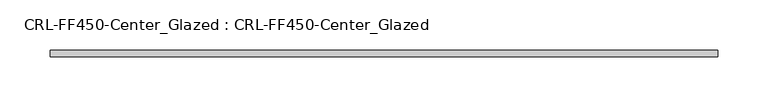
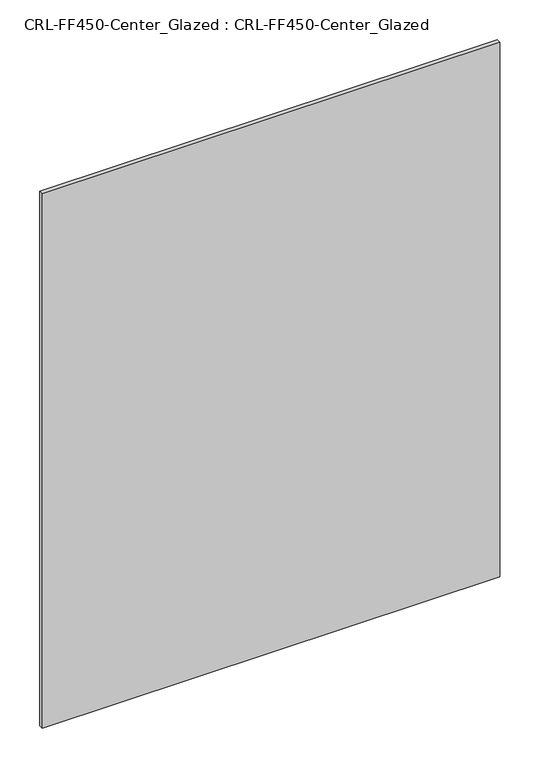
"""IFC4 building model written with IfcOpenShell, lengths in millimetres: plate geometry, CRL-FF450-Center_Glazed : CRL-FF450-Center_Glazed."""

import ifcopenshell
import ifcopenshell.guid

model = None  # the IFC model being written
_history = None  # IfcOwnerHistory: only IFC2X3 demands one
_inside = {}  # id of a spatial element -> (the spatial element, [elements in it])
_under = {}  # id of a project, library or spatial element -> (it, [spatial elements below it])
_declared = {}  # id of a project -> (the project, [libraries it declares])
_typed = {}  # id of a type object -> (the type object, [elements of that type])
_made_of = {}  # id of a material, layer set ... -> (it, [elements and type objects made of it])


def new_model(schema):
    """Start an empty IFC model of exactly this schema.

    Asked for "IFC4X3", IfcOpenShell would pick the latest addendum, in which some entities
    have other attributes; the version numbers below select the first issue.
    IFC2X3 requires an IfcOwnerHistory on every rooted entity: one is made here for all.
    """
    global model, _history
    if schema == "IFC4X3":
        model = ifcopenshell.file(schema_version=(4, 3, 0, 0))
    else:
        model = ifcopenshell.file(schema=schema)
    _inside.clear()
    _under.clear()
    _declared.clear()
    _typed.clear()
    _made_of.clear()
    _history = None
    if model.schema == "IFC2X3":
        org = make("IfcOrganization", Name="unknown")
        user = make(
            "IfcPersonAndOrganization",
            ThePerson=make("IfcPerson", FamilyName="unknown"),
            TheOrganization=org,
        )
        app = make(
            "IfcApplication",
            ApplicationDeveloper=org,
            Version="unknown",
            ApplicationFullName="unknown",
            ApplicationIdentifier="unknown",
        )
        _history = make(
            "IfcOwnerHistory",
            OwningUser=user,
            OwningApplication=app,
            ChangeAction="ADDED",
            CreationDate=0,
        )
    return model


def make(cls, **values):
    """One entity of the class cls with the attributes given. An attribute that is None is left unset."""
    return model.create_entity(
        cls, **{name: value for name, value in values.items() if value is not None}
    )


def rooted(cls, **values):
    """An entity with a GlobalId (a new one), such as an element, a storey or a relation."""
    return make(cls, GlobalId=ifcopenshell.guid.new(), OwnerHistory=_history, **values)


def si_unit(unit_type, name, prefix=None):
    """IfcSIUnit, for example si_unit("LENGTHUNIT", "METRE", prefix="MILLI")."""
    return make("IfcSIUnit", UnitType=unit_type, Prefix=prefix, Name=name)


def assignment(units):
    """IfcUnitAssignment: the units of a project."""
    return None if units is None else make("IfcUnitAssignment", Units=units)


def point(xyz):
    """IfcCartesianPoint."""
    return None if xyz is None else make("IfcCartesianPoint", Coordinates=xyz)


def direction(xyz):
    """IfcDirection."""
    return None if xyz is None else make("IfcDirection", DirectionRatios=xyz)


def frame(location, z_axis=None, x_axis=None):
    """IfcAxis2Placement3D, a coordinate frame: its origin and axes. An axis left out is left unset."""
    return make(
        "IfcAxis2Placement3D",
        Location=point(location),
        Axis=direction(z_axis),
        RefDirection=direction(x_axis),
    )


def origin():
    """The frame at (0, 0, 0) with its axes left unset."""
    return frame((0.0, 0.0, 0.0))


def origin_with_axes():
    """The frame at (0, 0, 0) with the z axis (0, 0, 1) and the x axis (1, 0, 0) written out."""
    return frame((0.0, 0.0, 0.0), z_axis=(0.0, 0.0, 1.0), x_axis=(1.0, 0.0, 0.0))


def place(relative_to, where):
    """IfcLocalPlacement: puts the frame where relative to a parent placement (None: the world)."""
    return make(
        "IfcLocalPlacement", PlacementRelTo=relative_to, RelativePlacement=where
    )


def context(
    kind, dimensions, precision=None, world=None, true_north=None, identifier=None
):
    """IfcGeometricRepresentationContext, for example the 3D "Model" context."""
    return make(
        "IfcGeometricRepresentationContext",
        ContextIdentifier=identifier,
        ContextType=kind,
        CoordinateSpaceDimension=dimensions,
        Precision=precision,
        WorldCoordinateSystem=world,
        TrueNorth=true_north,
    )


def project(units=None, contexts=None):
    """IfcProject with its units and contexts."""
    return rooted(
        "IfcProject",
        Name="project",
        RepresentationContexts=contexts,
        UnitsInContext=assignment(units),
    )


def spatial(cls, under=None, at=None, **own):
    """A site, building, storey or space (cls), placed at a placement, below another one or the project."""
    s = rooted(cls, ObjectPlacement=at, **own)
    if under is not None:
        _under.setdefault(under.id(), (under, []))[1].append(s)
    return s


def polyline(points):
    """IfcPolyline through the points."""
    return make("IfcPolyline", Points=[point(p) for p in points])


def outline(outer, holes=None, kind="AREA"):
    """IfcArbitraryClosedProfileDef: a profile drawn as a closed curve; with holes, ...WithVoids."""
    if holes is None:
        return make("IfcArbitraryClosedProfileDef", ProfileType=kind, OuterCurve=outer)
    return make(
        "IfcArbitraryProfileDefWithVoids",
        ProfileType=kind,
        OuterCurve=outer,
        InnerCurves=holes,
    )


def extrude(swept, where, along, depth):
    """IfcExtrudedAreaSolid: the profile swept, set in the frame where, extruded along a direction by depth."""
    return make(
        "IfcExtrudedAreaSolid",
        SweptArea=swept,
        Position=where,
        ExtrudedDirection=direction(along),
        Depth=depth,
    )


def shape(context_of_items, identifier, shape_type, items):
    """IfcShapeRepresentation: the items that make up one representation, for example the "Body"."""
    return make(
        "IfcShapeRepresentation",
        ContextOfItems=context_of_items,
        RepresentationIdentifier=identifier,
        RepresentationType=shape_type,
        Items=items,
    )


def source(mapping_origin, context_of_items, identifier, shape_type, items):
    """IfcRepresentationMap: a shape defined once, which mapped items show again and again."""
    return make(
        "IfcRepresentationMap",
        MappingOrigin=mapping_origin,
        MappedRepresentation=shape(context_of_items, identifier, shape_type, items),
    )


def transform(
    local_origin,
    x_axis=None,
    y_axis=None,
    z_axis=None,
    scale=None,
    scale2=None,
    scale3=None,
    uniform=True,
):
    """IfcCartesianTransformationOperator3D, or its non-uniform kind. x_axis, y_axis, z_axis: its Axis1, 2, 3."""
    if uniform:
        return make(
            "IfcCartesianTransformationOperator3D",
            Axis1=direction(x_axis),
            Axis2=direction(y_axis),
            LocalOrigin=point(local_origin),
            Scale=scale,
            Axis3=direction(z_axis),
        )
    return make(
        "IfcCartesianTransformationOperator3DnonUniform",
        Axis1=direction(x_axis),
        Axis2=direction(y_axis),
        LocalOrigin=point(local_origin),
        Scale=scale,
        Axis3=direction(z_axis),
        Scale2=scale2,
        Scale3=scale3,
    )


def mapped(mapping_source, mapping_target):
    """IfcMappedItem: shows the shape of a source again, moved by a transform."""
    return make(
        "IfcMappedItem", MappingSource=mapping_source, MappingTarget=mapping_target
    )


def made_of(thing, what):
    """Note that an element or type object is made of a material, layer set ...; save() writes the relation."""
    if what is not None:
        _made_of.setdefault(what.id(), (what, []))[1].append(thing)
    return thing


def element(
    cls,
    number,
    at=None,
    inside=None,
    cuts=None,
    type_object=None,
    material=None,
    context=None,
    identifier="Body",
    shape_type=None,
    held_by="IfcProductDefinitionShape",
    body=None,
    shapes=None,
    **own,
):
    """One element of the class cls, such as IfcWall. Its Tag is "e" and its number.

    at: its placement. inside: the storey or other place that contains it. cuts: it is an
    opening in that element (IfcRelVoidsElement). A single representation is given by context,
    identifier, shape_type and body (its items); several are given by shapes. held_by: the class
    of the entity that holds the representations. save() writes the other relations.
    """
    e = rooted(cls, Tag="e%d" % number, ObjectPlacement=at, **own)
    if body is not None:
        shapes = [shape(context, identifier, shape_type, body)]
    if shapes is not None:
        e.Representation = make(held_by, Representations=shapes)
    if inside is not None:
        _inside.setdefault(inside.id(), (inside, []))[1].append(e)
    if cuts is not None:
        rooted(
            "IfcRelVoidsElement", RelatingBuildingElement=cuts, RelatedOpeningElement=e
        )
    if type_object is not None:
        _typed.setdefault(type_object.id(), (type_object, []))[1].append(e)
    return made_of(e, material)


def aggregate(whole, parts):
    """IfcRelAggregates: a whole, such as a stair, and the parts it consists of."""
    return rooted("IfcRelAggregates", RelatingObject=whole, RelatedObjects=parts)


def save(model, path):
    """Write the relations noted so far, then the file.

    IfcRelAggregates (storeys below a building ...), IfcRelContainedInSpatialStructure (elements
    in a storey), IfcRelDefinesByType, IfcRelAssociatesMaterial and IfcRelDeclares: one each for
    every whole, place, type object, material and project.
    """
    for whole, parts in _under.values():
        aggregate(whole, parts)
    for where, things in _inside.values():
        rooted(
            "IfcRelContainedInSpatialStructure",
            RelatedElements=things,
            RelatingStructure=where,
        )
    for kind, things in _typed.values():
        rooted("IfcRelDefinesByType", RelatedObjects=things, RelatingType=kind)
    for what, things in _made_of.values():
        rooted("IfcRelAssociatesMaterial", RelatedObjects=things, RelatingMaterial=what)
    for by, libraries in _declared.values():
        rooted("IfcRelDeclares", RelatingContext=by, RelatedDefinitions=libraries)
    model.write(path)


def crl_ff450_center_glazed_crl_ff450_center_glazed_431a8304(model_context):
    return source(origin(), model_context, "Body", "SweptSolid", [
        extrude(outline(polyline([(332.5812299, 3.1749999), (332.5812299, -3.1749999), (-332.5812299, -3.1749999), (-332.5812299, 3.1749999), (332.5812299, 3.1749999)])), origin_with_axes(), (0.0, 0.0, 1.0), 821.3089215),
    ])


if __name__ == "__main__":
    model = new_model("IFC4")
    model_context = context("Model", 3, world=origin())
    ifc_project = project(units=[si_unit("LENGTHUNIT", "METRE", prefix="MILLI")], contexts=[model_context])
    site = spatial("IfcSite", under=ifc_project)
    building = spatial("IfcBuilding", under=site)
    placement = place(None, origin())
    crl_ff450_center_glazed_crl_ff450_center_glazed_shape = crl_ff450_center_glazed_crl_ff450_center_glazed_431a8304(model_context)
    element("IfcPlate", 1, ObjectType="CRL-FF450-Center_Glazed : CRL-FF450-Center_Glazed", at=placement, inside=building, context=model_context, shape_type="MappedRepresentation", body=[
        mapped(crl_ff450_center_glazed_crl_ff450_center_glazed_shape, transform((0.0, 0.0, 0.0), x_axis=(1.0, 0.0, 0.0), y_axis=(0.0, 1.0, 0.0), z_axis=(0.0, 0.0, 1.0))),
    ])
    save(model, "model.ifc")
